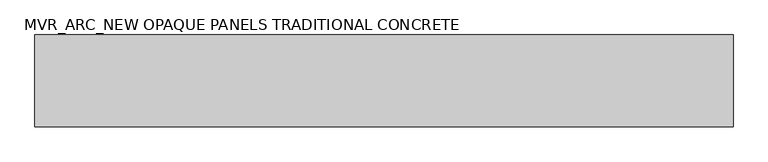
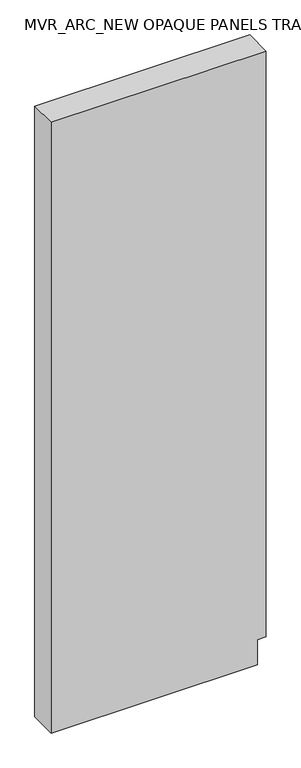
"""IFC4 building model written with IfcOpenShell, lengths in millimetres: plate geometry, MVR_ARC_NEW OPAQUE PANELS TRADITIONAL CONCRETE."""

from ifc_helpers import new_model, si_unit, frame, origin, place, context, project, spatial, polyline, outline, extrude, source, transform, mapped, element, save


def mvr_arc_new_opaque_panels_traditional_concrete_9e44bfae(model_context):
    return source(origin(), model_context, "Body", "SweptSolid", [
        extrude(outline(polyline([(0.0, -800.0), (0.0, 733.87196), (195.6, 733.87196), (195.6, 800.0), (4800.0, 800.0), (4800.0, -800.0), (0.0, -800.0)])), frame((0.0, -150.0, 0.0), z_axis=(0.0, 1.0, 0.0), x_axis=(0.0, 0.0, 1.0)), (0.0, 0.0, 1.0), 210.0),
    ])


if __name__ == "__main__":
    model = new_model("IFC4")
    model_context = context("Model", 3, world=origin())
    ifc_project = project(units=[si_unit("LENGTHUNIT", "METRE", prefix="MILLI")], contexts=[model_context])
    site = spatial("IfcSite", under=ifc_project)
    building = spatial("IfcBuilding", under=site)
    placement = place(None, origin())
    mvr_arc_new_opaque_panels_traditional_concrete_shape = mvr_arc_new_opaque_panels_traditional_concrete_9e44bfae(model_context)
    element("IfcPlate", 1, ObjectType="MVR_ARC_NEW OPAQUE PANELS TRADITIONAL CONCRETE", at=placement, inside=building, context=model_context, shape_type="MappedRepresentation", body=[
        mapped(mvr_arc_new_opaque_panels_traditional_concrete_shape, transform((0.0, 0.0, 0.0), x_axis=(1.0, 0.0, 0.0), y_axis=(0.0, 1.0, 0.0), z_axis=(0.0, 0.0, 1.0))),
    ])
    save(model, "model.ifc")
